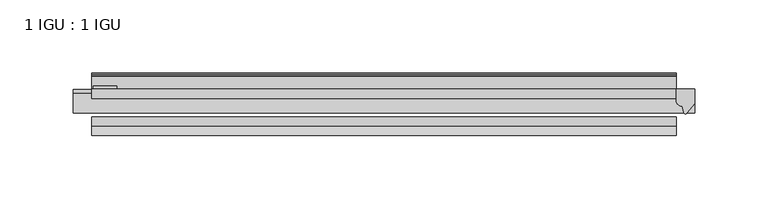
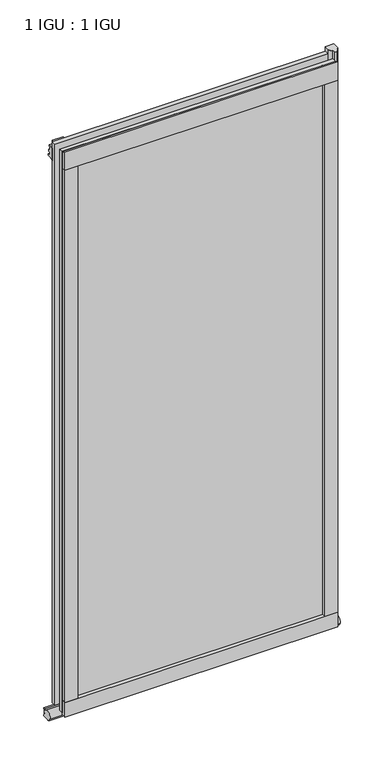
"""IFC4 building model written with IfcOpenShell, lengths in millimetres: plate geometry, 1 IGU : 1 IGU."""

from ifc_helpers import new_model, si_unit, point, frame, frame_2d, origin, place, context, project, spatial, polyline, circle_curve, ellipse_curve, trimmed, segment, composite_curve, outline, extrude, source, transform, mapped, element, save
from ifc_brep_helpers import plane_surface, revolved_surface, extruded_surface, advanced_brep


def plate_1_igu_1_igu_87dfede5(model_context):
    return source(origin(), model_context, "Body", "SolidModel", [
        extrude(outline(polyline([(200.009125, 0.0021347), (200.009125, -6.2992), (-200.009125, -6.2992), (-200.009125, 0.0021347), (200.009125, 0.0021347)])), frame((0.0, 0.0, -19.05), z_axis=(0.0, 0.0, 1.0), x_axis=(1.0, 0.0, 0.0)), (0.0, 0.0, 1.0), 869.9368072),
        extrude(outline(polyline([(-200.009125, -19.0986653), (200.009125, -19.0986653), (200.009125, -25.3978653), (-200.009125, -25.3978653), (-200.009125, -19.0986653)])), frame((0.0, 0.0, -19.05), z_axis=(0.0, 0.0, 1.0), x_axis=(1.0, 0.0, 0.0)), (0.0, 0.0, 1.0), 869.9368072),
        advanced_brep(
        [(212.709125, -2.9334208, -29.3692082), (212.709125, -15.7658436, -30.8313288), (212.709125, -6.7904952, -34.925), (212.709125, 0.0, -34.925), (212.709125, 0.0, -22.225), (212.709125, -2.5187477, -22.225), (-212.709125, -2.9073519, -29.3720514), (-212.709125, -2.5187477, -22.225), (-212.709125, 0.0, -22.225), (-212.709125, 0.0, -34.925), (-212.709125, -6.7904952, -34.925), (-212.709125, -15.7658436, -30.8313288)],
        [
            (0, 1, ellipse_curve(frame((212.709125, -9.5065066, -28.575), z_axis=(1.0, 0.0, 0.0), x_axis=(0.0, 0.0, -1.0)), 6.9638038, 6.6162554)),
            (1, 2, ellipse_curve(frame((212.709125, -9.5065066, -28.575), z_axis=(1.0, 0.0, 0.0), x_axis=(0.0, 0.0, -1.0)), 6.9638038, 6.6162554)),
            (2, 3),
            (3, 4, circle_curve(frame((212.709125, 24.1576838, -28.575), z_axis=(-1.0, 0.0, 0.0), x_axis=(0.0, 0.0, 1.0)), 24.9783143)),
            (4, 5),
            (5, 0, circle_curve(frame((212.709125, -68.4358767, -22.225), z_axis=(-1.0, 0.0, 0.0), x_axis=(0.0, 0.0, 1.0)), 65.917129)),
            (6, 7, circle_curve(frame((-212.709125, -68.4358767, -22.225), z_axis=(1.0, 0.0, 0.0), x_axis=(0.0, 0.0, 1.0)), 65.917129)),
            (7, 8),
            (8, 9, circle_curve(frame((-212.709125, 24.1576838, -28.575), z_axis=(1.0, 0.0, 0.0), x_axis=(0.0, 0.0, 1.0)), 24.9783143)),
            (9, 10),
            (10, 11, ellipse_curve(frame((-212.709125, -9.5065066, -28.575), z_axis=(-1.0, 0.0, 0.0), x_axis=(0.0, 0.0, -1.0)), 6.9638038, 6.6162554)),
            (11, 6, ellipse_curve(frame((-212.709125, -9.5065066, -28.575), z_axis=(-1.0, 0.0, 0.0), x_axis=(0.0, 0.0, -1.0)), 6.9638038, 6.6162554)),
            (0, 6),
            (11, 1),
            (10, 2),
            (9, 3),
            (8, 4),
            (7, 5),
        ],
        [
            plane_surface(frame((212.709125, 0.0, -28.575), z_axis=(1.0, 0.0, 0.0), x_axis=(0.0, 1.0, 0.0))),
            plane_surface(frame((-212.709125, 0.0, -28.575), z_axis=(-1.0, 0.0, 0.0), x_axis=(0.0, 1.0, 0.0))),
            extruded_surface(trimmed(ellipse_curve(frame((-212.709125, -9.5065066, -28.575), z_axis=(1.0, 0.0, 0.0), x_axis=(0.0, 0.0, -1.0)), 6.9638038, 6.6162554), [point((-212.709125, -2.9334208, -29.3692082))], [point((-212.709125, -15.7658436, -30.8313288))], True, "CARTESIAN"), (425.41825, 0.0, 0.0), 425.41825),
            extruded_surface(trimmed(ellipse_curve(frame((-212.709125, -9.5065066, -28.575), z_axis=(1.0, 0.0, 0.0), x_axis=(0.0, 0.0, -1.0)), 6.9638038, 6.6162554), [point((-212.709125, -15.7658436, -30.8313288))], [point((-212.709125, -6.7904952, -34.925))], True, "CARTESIAN"), (425.41825, 0.0, 0.0), 425.41825),
            plane_surface(frame((212.709125, -6.7904952, -34.925), z_axis=(0.0, 0.0, -1.0), x_axis=(-1.0, 0.0, 0.0))),
            revolved_surface(polyline([(-212.709125, 24.1576838, -3.5966856999999983), (212.709125, 24.1576838, -3.5966856999999983)]), (212.709125, 24.1576838, -28.575), (-1.0, 0.0, 0.0)),
            plane_surface(frame((212.709125, 0.0, -22.225), z_axis=(0.0, 0.0, 1.0), x_axis=(-1.0, 0.0, 0.0))),
            revolved_surface(polyline([(-212.709125, -68.4358767, 43.692129), (212.709125, -68.4358767, 43.692129)]), (212.709125, -68.4358767, -22.225), (-1.0, 0.0, 0.0)),
        ],
        [
            (0, [[1, 2, 3, 4, 5, 6]]),
            (1, [[7, 8, 9, 10, 11, 12]]),
            (2, [[-1, 13, -12, 14]]),
            (3, [[-2, -14, -11, 15]]),
            (4, [[-3, -15, -10, 16]]),
            (5, [[-4, -16, -9, 17]]),
            (6, [[-5, -17, -8, 18]]),
            (7, [[-6, -18, -7, -13]]),
        ],
    ),
        extrude(outline(composite_curve([segment(polyline([(212.709125, 0.0), (212.709125, -9.7395025), (207.1428941, -16.3730781)]), True, "CONTINUOUS"), segment(trimmed(circle_curve(frame_2d((206.1892191, -15.7728374)), 1.1268473), [point((207.1428941, -16.3730781))], [point((205.0882662, -16.0130197))], False, "CARTESIAN"), True, "CONTINUOUS"), segment(polyline([(205.0882662, -16.0130197), (204.1080748, -11.7377885)]), True, "CONTINUOUS"), segment(trimmed(circle_curve(frame_2d((203.9806229, -7.7683362)), 3.9714979), [point((204.1080748, -11.7377885))], [point((200.0093036, -7.8060014))], False, "CARTESIAN"), True, "CONTINUOUS"), segment(polyline([(200.0093036, -7.8060014), (200.0093036, 0.0), (212.709125, 0.0)]), True, "CONTINUOUS")], self_intersect=False)), frame((0.0, 0.0, -19.05), z_axis=(0.0, 0.0, 1.0), x_axis=(1.0, 0.0, 0.0)), (0.0, 0.0, 1.0), 877.0742072),
        extrude(outline(composite_curve([segment(polyline([(-31.75, 0.0), (-25.4, 0.0), (-25.4, -22.225)]), True, "CONTINUOUS"), segment(trimmed(circle_curve(frame_2d((-28.575, -28.9113452)), 7.4018806), [point((-25.4, -22.225))], [point((-31.75, -22.225))], True, "CARTESIAN"), True, "CONTINUOUS"), segment(polyline([(-31.75, -22.225), (-31.75, 0.0)]), True, "CONTINUOUS")], self_intersect=False)), frame((-200.009125, 0.0, 0.0), z_axis=(1.0, 0.0, 0.0), x_axis=(0.0, 1.0, 0.0)), (0.0, 0.0, 1.0), 400.01825),
        extrude(outline(composite_curve([segment(polyline([(8.509, 840.7300284), (8.509, 838.6980284), (6.35, 838.6980284), (6.35, 833.3640284), (8.9492698, 833.3640284)]), True, "CONTINUOUS"), segment(trimmed(circle_curve(frame_2d((8.208689, 831.8368072)), 1.697311), [point((8.9492698, 833.3640284))], [point((8.962411, 830.3160284))], False, "CARTESIAN"), True, "CONTINUOUS"), segment(polyline([(8.962411, 830.3160284), (6.35, 830.3160284), (6.35, 825.4868072), (11.1252, 825.4868072), (11.1252, 824.5978072)]), True, "CONTINUOUS"), segment(trimmed(circle_curve(frame_2d((10.1092, 824.5978072)), 1.016), [point((11.1252, 824.5978072))], [point((10.1092, 823.5818072))], False, "CARTESIAN"), True, "CONTINUOUS"), segment(trimmed(circle_curve(frame_2d((10.1092, 804.1707318)), 19.4110754), [point((10.1092, 823.5818072))], [point((0.0, 820.7416075))], True, "CARTESIAN"), True, "CONTINUOUS"), segment(polyline([(0.0, 820.7416075), (0.0, 840.7300284), (8.509, 840.7300284)]), True, "CONTINUOUS")], self_intersect=False)), frame((-200.009125, 0.0, 0.0), z_axis=(1.0, 0.0, 0.0), x_axis=(0.0, 1.0, 0.0)), (0.0, 0.0, 1.0), 400.01825),
        extrude(outline(composite_curve([segment(polyline([(-25.4, 850.8868072), (-25.4, 825.4868072), (-31.75, 825.4868072), (-31.75, 853.6597045)]), True, "CONTINUOUS"), segment(trimmed(circle_curve(frame_2d((-24.1401272, 862.4292187)), 11.6109665), [point((-31.75, 853.6597045))], [point((-25.4, 850.8868072))], True, "CARTESIAN"), True, "CONTINUOUS")], self_intersect=False)), frame((-200.009125, 0.0, 0.0), z_axis=(1.0, 0.0, 0.0), x_axis=(0.0, 1.0, 0.0)), (0.0, 0.0, 1.0), 400.01825),
        extrude(outline(composite_curve([segment(polyline([(180.959125, -25.4), (200.009125, -25.4)]), True, "CONTINUOUS"), segment(trimmed(circle_curve(frame_2d((209.4752757, -28.575)), 9.9844196), [point((200.009125, -25.4))], [point((200.009125, -31.75))], True, "CARTESIAN"), True, "CONTINUOUS"), segment(polyline([(200.009125, -31.75), (180.959125, -31.75), (180.959125, -25.4)]), True, "CONTINUOUS")], self_intersect=False)), frame((0.0, 0.0, -19.05), z_axis=(0.0, 0.0, 1.0), x_axis=(1.0, 0.0, 0.0)), (0.0, 0.0, 1.0), 869.9368072),
        extrude(outline(composite_curve([segment(trimmed(circle_curve(frame_2d((-209.4752757, -28.575)), 9.9844196), [point((-200.009125, -31.75))], [point((-200.009125, -25.4))], True, "CARTESIAN"), True, "CONTINUOUS"), segment(polyline([(-200.009125, -25.4), (-180.959125, -25.4), (-180.959125, -31.75), (-200.009125, -31.75)]), True, "CONTINUOUS")], self_intersect=False)), frame((0.0, 0.0, -19.05), z_axis=(0.0, 0.0, 1.0), x_axis=(1.0, 0.0, 0.0)), (0.0, 0.0, 1.0), 869.9368072),
        extrude(outline(polyline([(-198.802625, 0.0), (-198.802625, 2.286), (-182.927625, 2.286), (-182.927625, 0.0), (-198.802625, 0.0)])), frame((0.0, 0.0, -19.05), z_axis=(0.0, 0.0, 1.0), x_axis=(1.0, 0.0, 0.0)), (0.0, 0.0, 1.0), 869.9368072),
    ])


if __name__ == "__main__":
    model = new_model("IFC4")
    model_context = context("Model", 3, world=origin())
    ifc_project = project(units=[si_unit("LENGTHUNIT", "METRE", prefix="MILLI")], contexts=[model_context])
    site = spatial("IfcSite", under=ifc_project)
    building = spatial("IfcBuilding", under=site)
    placement = place(None, origin())
    plate_1_igu_1_igu_shape = plate_1_igu_1_igu_87dfede5(model_context)
    element("IfcPlate", 1, ObjectType="1 IGU : 1 IGU", at=placement, inside=building, context=model_context, shape_type="MappedRepresentation", body=[
        mapped(plate_1_igu_1_igu_shape, transform((0.0, 0.0, 0.0), x_axis=(1.0, 0.0, 0.0), y_axis=(0.0, 1.0, 0.0), z_axis=(0.0, 0.0, 1.0))),
    ])
    save(model, "model.ifc")
